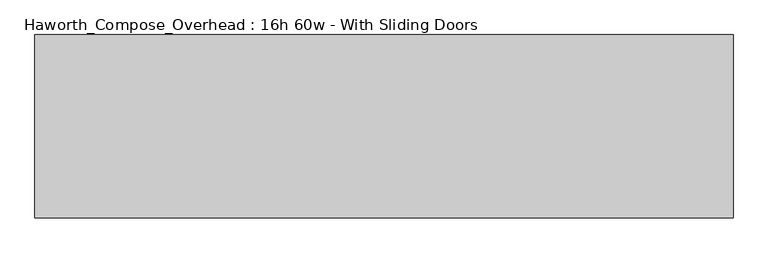
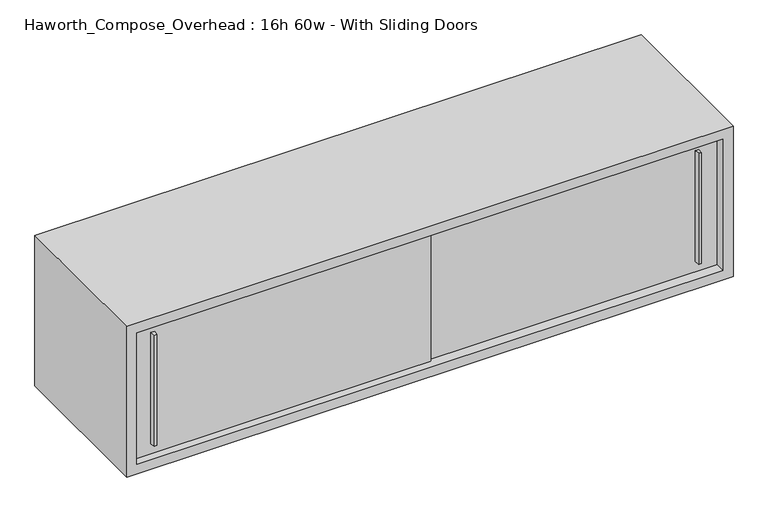
"""IFC4 building model written with IfcOpenShell, lengths in millimetres: furniture geometry, Haworth_Compose_Overhead : 16h 60w - With Sliding Doors."""

from ifc_helpers import new_model, si_unit, frame, origin, place, context, project, spatial, polyline, outline, extrude, source, transform, mapped, element, save


def haworth_compose_overhead_16h_60w_with_sliding_doors_08b3d04c(model_context):
    return source(origin(), model_context, "Body", "SweptSolid", [
        extrude(outline(polyline([(854.0750004, -387.3499879), (847.7249996, -387.3499879), (846.1375011, -374.65), (855.6624989, -374.65), (854.0750004, -387.3499879)])), frame((0.0, 0.0, 1322.3875), z_axis=(0.0, 0.0, 1.0), x_axis=(1.0, 0.0, 0.0)), (0.0, 0.0, 1.0), 295.275),
        extrude(outline(polyline([(-517.5249996, -393.6999879), (-523.8750004, -393.6999879), (-525.4624989, -381.0), (-515.9375011, -381.0), (-517.5249996, -393.6999879)])), frame((0.0, 0.0, 1322.3875), z_axis=(0.0, 0.0, 1.0), x_axis=(1.0, 0.0, 0.0)), (0.0, 0.0, 1.0), 295.275),
        extrude(outline(polyline([(-571.5, -374.65), (177.8, -374.65), (177.8, -381.0), (-571.5, -381.0), (-571.5, -374.65)])), frame((0.0, 0.0, 1295.4), z_axis=(0.0, 0.0, 1.0), x_axis=(1.0, 0.0, 0.0)), (0.0, 0.0, 1.0), 349.25),
        extrude(outline(polyline([(152.4, -368.3), (901.7, -368.3), (901.7, -374.65), (152.4, -374.65), (152.4, -368.3)])), frame((0.0, 0.0, 1295.4), z_axis=(0.0, 0.0, 1.0), x_axis=(1.0, 0.0, 0.0)), (0.0, 0.0, 1.0), 349.25),
        extrude(outline(polyline([(901.7, -6.35), (-571.5, -6.35), (-571.5, 0.0), (901.7, 0.0), (901.7, -6.35)])), frame((0.0, 0.0, 1295.4), z_axis=(0.0, 0.0, 1.0), x_axis=(1.0, 0.0, 0.0)), (0.0, 0.0, 1.0), 349.25),
        extrude(outline(polyline([(1270.0, 927.1), (1670.05, 927.1), (1670.05, -596.9), (1270.0, -596.9), (1270.0, 927.1)]), holes=[polyline([(1644.65, 901.7), (1295.4, 901.7), (1295.4, -571.5), (1644.65, -571.5), (1644.65, 901.7)])]), frame((0.0, -400.05, 0.0), z_axis=(0.0, 1.0, 0.0), x_axis=(0.0, 0.0, 1.0)), (0.0, 0.0, 1.0), 400.05),
    ])


if __name__ == "__main__":
    model = new_model("IFC4")
    model_context = context("Model", 3, world=origin())
    ifc_project = project(units=[si_unit("LENGTHUNIT", "METRE", prefix="MILLI")], contexts=[model_context])
    site = spatial("IfcSite", under=ifc_project)
    building = spatial("IfcBuilding", under=site)
    placement = place(None, origin())
    haworth_compose_overhead_16h_60w_with_sliding_doors_shape = haworth_compose_overhead_16h_60w_with_sliding_doors_08b3d04c(model_context)
    element("IfcFurniture", 1, ObjectType="Haworth_Compose_Overhead : 16h 60w - With Sliding Doors", at=placement, inside=building, context=model_context, shape_type="MappedRepresentation", body=[
        mapped(haworth_compose_overhead_16h_60w_with_sliding_doors_shape, transform((0.0, 0.0, 0.0), x_axis=(1.0, 0.0, 0.0), y_axis=(0.0, 1.0, 0.0), z_axis=(0.0, 0.0, 1.0))),
    ])
    save(model, "model.ifc")
